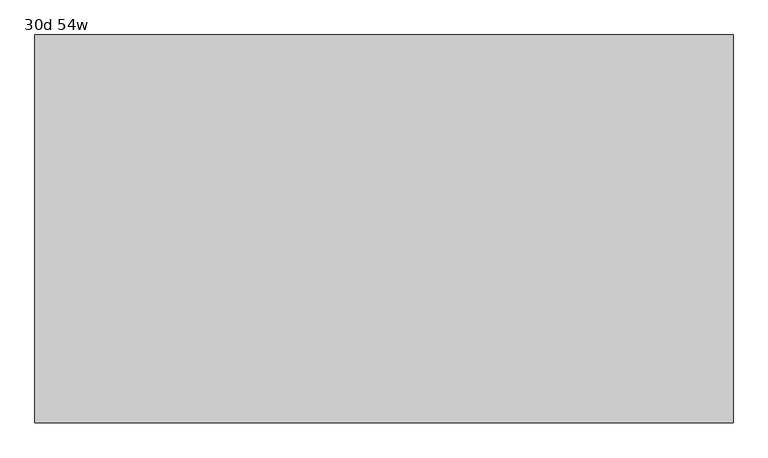
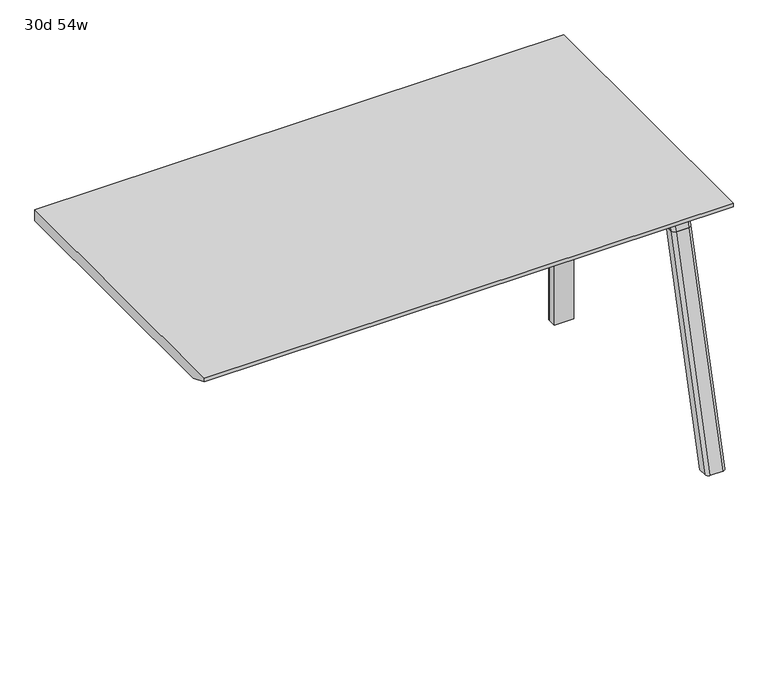
"""IFC4 building model written with IfcOpenShell, lengths in millimetres: furniture geometry, 30d 54w."""

from ifc_helpers import new_model, si_unit, point, frame, frame_2d, origin, place, context, project, spatial, polyline, circle_curve, ellipse_curve, trimmed, segment, composite_curve, outline, extrude, source, transform, mapped, element, save
from ifc_brep_helpers import plane_surface, cylinder_surface, revolved_surface, advanced_brep


def furniture_30d_54w_56b9a1d6(model_context):
    return source(origin(), model_context, "Body", "SolidModel", [
        extrude(outline(composite_curve([segment(polyline([(-258.4909766, 711.2), (-267.5490774, 677.3947076)]), True, "CONTINUOUS"), segment(trimmed(circle_curve(frame_2d((-282.8831499, 681.5034599)), 15.875), [point((-267.5490774, 677.3947076))], [point((-282.8831499, 665.6284599))], False, "CARTESIAN"), True, "CONTINUOUS"), segment(polyline([(-282.8831499, 665.6284599), (-705.5863033, 665.6284599)]), True, "CONTINUOUS"), segment(trimmed(circle_curve(frame_2d((-705.5863033, 681.5034599)), 15.875), [point((-705.5863033, 665.6284599))], [point((-720.9203758, 677.3947076))], False, "CARTESIAN"), True, "CONTINUOUS"), segment(polyline([(-720.9203758, 677.3947076), (-729.9784766, 711.2), (-258.4909766, 711.2)]), True, "CONTINUOUS")], self_intersect=False)), frame((850.9, 0.0, 0.0), z_axis=(1.0, 0.0, 0.0), x_axis=(0.0, 1.0, 0.0)), (0.0, 0.0, 1.0), 38.1),
        extrude(outline(polyline([(895.35, -318.8159766), (895.35, -669.6534766), (844.55, -669.6534766), (844.55, -318.8159766), (895.35, -318.8159766)])), frame((0.0, 0.0, 635.6476591), z_axis=(0.0, 0.0, 1.0), x_axis=(1.0, 0.0, 0.0)), (0.0, 0.0, 1.0), 29.9808008),
        advanced_brep(
        [(895.35, -258.4446478, 711.2), (895.35, -267.5027486, 677.3947076), (895.35, -282.8368211, 665.6284599), (895.35, -318.8159766, 665.6284599), (895.35, -318.8159766, 635.6476591), (895.35, -307.7034766, 635.6476591), (895.35, -256.9034766, 584.8476591), (895.35, -256.9034766, 576.659375), (895.35, -234.6784766, 576.659375), (895.35, -234.6784766, 711.2), (844.55, -256.9034766, 576.659375), (844.55, -256.9034766, 584.8476591), (844.55, -307.7034766, 635.6476591), (844.55, -318.8159766, 635.6476591), (844.55, -318.8159766, 665.6284599), (844.55, -282.8368211, 665.6284599), (844.55, -267.5027486, 677.3947076), (844.55, -258.4446478, 711.2), (844.55, -234.6784766, 711.2), (844.55, -234.6784766, 576.659375), (885.825, -225.1534766, 711.2), (854.075, -225.1534766, 711.2), (854.075, -225.1534766, 576.659375), (885.825, -225.1534766, 576.659375)],
        [
            (0, 1),
            (1, 2, circle_curve(frame((895.35, -282.8368211, 681.5034599), z_axis=(-1.0, 0.0, 0.0), x_axis=(0.0, 1.0, 0.0)), 15.875)),
            (2, 3),
            (3, 4),
            (4, 5),
            (5, 6, circle_curve(frame((895.35, -307.7034766, 584.8476591), z_axis=(-1.0, 0.0, 0.0), x_axis=(0.0, 1.0, 0.0)), 50.8)),
            (6, 7),
            (7, 8),
            (8, 9),
            (9, 0),
            (10, 11),
            (11, 12, circle_curve(frame((844.55, -307.7034766, 584.8476591), z_axis=(1.0, 0.0, 0.0), x_axis=(0.0, 1.0, 0.0)), 50.8)),
            (12, 13),
            (13, 14),
            (14, 15),
            (15, 16, circle_curve(frame((844.55, -282.8368211, 681.5034599), z_axis=(1.0, 0.0, 0.0), x_axis=(0.0, 1.0, 0.0)), 15.875)),
            (16, 17),
            (17, 18),
            (18, 19),
            (19, 10),
            (17, 0),
            (9, 20, circle_curve(frame((885.825, -234.6784766, 711.2), z_axis=(0.0, 0.0, 1.0), x_axis=(-1.0, 0.0, 0.0)), 9.525)),
            (20, 21),
            (21, 18, circle_curve(frame((854.075, -234.6784766, 711.2), z_axis=(0.0, 0.0, 1.0), x_axis=(-1.0, 0.0, 0.0)), 9.525)),
            (16, 1),
            (15, 2),
            (14, 3),
            (13, 4),
            (12, 5),
            (7, 10),
            (19, 22, circle_curve(frame((854.075, -234.6784766, 576.659375), z_axis=(0.0, 0.0, -1.0), x_axis=(-1.0, 0.0, 0.0)), 9.525)),
            (22, 23),
            (23, 8, circle_curve(frame((885.825, -234.6784766, 576.659375), z_axis=(0.0, 0.0, -1.0), x_axis=(-1.0, 0.0, 0.0)), 9.525)),
            (11, 6),
            (23, 20),
            (21, 22),
        ],
        [
            plane_surface(frame((895.35, -218.226947, 711.2), z_axis=(1.0, 0.0, 0.0), x_axis=(0.0, -1.0, 0.0))),
            plane_surface(frame((844.55, -218.226947, 711.2), z_axis=(-1.0, 0.0, 0.0), x_axis=(0.0, 1.0, 0.0))),
            plane_surface(frame((895.35, -218.226947, 711.2), z_axis=(0.0, 0.0, 1.0), x_axis=(-1.0, 0.0, 0.0))),
            plane_surface(frame((895.35, -258.4446478, 711.2), z_axis=(0.0, -0.9659258262890683, 0.2588190451025207), x_axis=(-1.0, 0.0, 0.0))),
            revolved_surface(polyline([(844.55, -266.9618211, 681.5034599), (895.35, -266.9618211, 681.5034599)]), (844.55, -282.8368211, 681.5034599), (-1.0, 0.0, 0.0)),
            plane_surface(frame((895.35, -282.8368211, 665.6284599), z_axis=(0.0, 0.0, 1.0), x_axis=(-1.0, 0.0, 0.0))),
            plane_surface(frame((895.35, -318.8159766, 665.6284599), z_axis=(0.0, -1.0, 0.0), x_axis=(-1.0, 0.0, 0.0))),
            plane_surface(frame((895.35, -318.8159766, 635.6476591), z_axis=(0.0, 0.0, -1.0), x_axis=(-1.0, 0.0, 0.0))),
            plane_surface(frame((895.35, -256.9034766, 576.659375), z_axis=(0.0, 0.0, -1.0), x_axis=(-1.0, 0.0, 0.0))),
            revolved_surface(polyline([(844.55, -256.9034766, 584.8476591), (895.35, -256.9034766, 584.8476591)]), (844.55, -307.7034766, 584.8476591), (-1.0, 0.0, 0.0)),
            plane_surface(frame((895.35, -256.9034766, 584.8476591), z_axis=(0.0, -1.0, 0.0), x_axis=(-1.0, 0.0, 0.0))),
            cylinder_surface(frame((885.825, -234.6784766, 524.9807374), z_axis=(0.0, 0.0, -1.0), x_axis=(-1.0, 0.0, 0.0)), 9.525),
            cylinder_surface(frame((854.075, -234.6784766, 524.9807374), z_axis=(0.0, 0.0, -1.0), x_axis=(-1.0, 0.0, 0.0)), 9.525),
            plane_surface(frame((854.075, -225.1534766, 711.2), z_axis=(0.0, 1.0, 0.0), x_axis=(0.0, 0.0, -1.0))),
        ],
        [
            (0, [[1, 2, 3, 4, 5, 6, 7, 8, 9, 10]]),
            (1, [[11, 12, 13, 14, 15, 16, 17, 18, 19, 20]]),
            (2, [[21, -10, 22, 23, 24, -18]]),
            (3, [[-1, -21, -17, 25]]),
            (4, [[-2, -25, -16, 26]]),
            (5, [[-3, -26, -15, 27]]),
            (6, [[-4, -27, -14, 28]]),
            (7, [[-5, -28, -13, 29]]),
            (8, [[30, -20, 31, 32, 33, -8]]),
            (9, [[-6, -29, -12, 34]]),
            (10, [[-7, -34, -11, -30]]),
            (11, [[35, -22, -9, -33]]),
            (12, [[36, -31, -19, -24]]),
            (13, [[-35, -32, -36, -23]]),
        ],
    ),
        advanced_brep(
        [(844.55, -256.9034766, 576.659375), (895.35, -256.9034766, 576.659375), (895.35, -234.6784766, 576.659375), (885.825, -225.1534766, 576.659375), (854.075, -225.1534766, 576.659375), (844.55, -234.6784766, 576.659375), (844.55, -256.9034766, 0.0), (844.55, -234.6784766, 0.0), (854.075, -225.1534766, 0.0), (885.825, -225.1534766, 0.0), (895.35, -234.6784766, 0.0), (895.35, -256.9034766, 0.0), (895.35, -234.6784766, 524.9807374), (885.825, -225.1534766, 524.9807374), (854.075, -225.1534766, 524.9807374), (844.55, -234.6784766, 524.9807374)],
        [
            (0, 1),
            (1, 2),
            (2, 3, circle_curve(frame((885.825, -234.6784766, 576.659375), z_axis=(0.0, 0.0, 1.0), x_axis=(-1.0, 0.0, 0.0)), 9.525)),
            (3, 4),
            (4, 5, circle_curve(frame((854.075, -234.6784766, 576.659375), z_axis=(0.0, 0.0, 1.0), x_axis=(-1.0, 0.0, 0.0)), 9.525)),
            (5, 0),
            (6, 7),
            (7, 8, circle_curve(frame((854.075, -234.6784766, 0.0), z_axis=(0.0, 0.0, -1.0), x_axis=(-1.0, 0.0, 0.0)), 9.525)),
            (8, 9),
            (9, 10, circle_curve(frame((885.825, -234.6784766, 0.0), z_axis=(0.0, 0.0, -1.0), x_axis=(-1.0, 0.0, 0.0)), 9.525)),
            (10, 11),
            (11, 6),
            (0, 6),
            (11, 1),
            (10, 12),
            (12, 2),
            (9, 13),
            (13, 3),
            (8, 14),
            (14, 4),
            (7, 15),
            (15, 5),
        ],
        [
            plane_surface(frame((902.5462903, -256.9034766, 576.659375), z_axis=(0.0, 0.0, 1.0), x_axis=(1.0, 0.0, 0.0))),
            plane_surface(frame((902.5462903, -256.9034766, 0.0), z_axis=(0.0, 0.0, -1.0), x_axis=(-1.0, 0.0, 0.0))),
            plane_surface(frame((844.55, -256.9034766, 576.659375), z_axis=(0.0, -1.0, 0.0), x_axis=(0.0, 0.0, -1.0))),
            plane_surface(frame((895.35, -256.9034766, 576.659375), z_axis=(1.0, 0.0, 0.0), x_axis=(0.0, 0.0, -1.0))),
            cylinder_surface(frame((885.825, -234.6784766, 0.0), z_axis=(0.0, 0.0, 1.0), x_axis=(-1.0, 0.0, 0.0)), 9.525),
            plane_surface(frame((885.825, -225.1534766, 576.659375), z_axis=(0.0, 1.0, 0.0), x_axis=(0.0, 0.0, -1.0))),
            cylinder_surface(frame((854.075, -234.6784766, 0.0), z_axis=(0.0, 0.0, 1.0), x_axis=(-1.0, 0.0, 0.0)), 9.525),
            plane_surface(frame((844.55, -234.6784766, 576.659375), z_axis=(-1.0, 0.0, 0.0), x_axis=(0.0, 0.0, -1.0))),
        ],
        [
            (0, [[1, 2, 3, 4, 5, 6]]),
            (1, [[7, 8, 9, 10, 11, 12]]),
            (2, [[-1, 13, -12, 14]]),
            (3, [[-2, -14, -11, 15, 16]]),
            (4, [[-3, -16, -15, -10, 17, 18]]),
            (5, [[-4, -18, -17, -9, 19, 20]]),
            (6, [[-5, -20, -19, -8, 21, 22]]),
            (7, [[-6, -22, -21, -7, -13]]),
        ],
    ),
        advanced_brep(
        [(844.55, -723.6748053, 711.2), (844.55, -714.6167045, 677.3947076), (844.55, -699.282632, 665.6284599), (844.55, -669.6534766, 665.6284599), (844.55, -669.6534766, 635.6476591), (844.55, -692.5247088, 635.6476591), (844.55, -756.9278133, 586.2294189), (844.55, -759.4860254, 576.6820411), (844.55, -780.5899953, 576.6820411), (844.55, -745.1413517, 711.2), (895.35, -759.4860254, 576.6820411), (895.35, -756.9278133, 586.2294189), (895.35, -692.5247088, 635.6476591), (895.35, -669.6534766, 635.6476591), (895.35, -669.6534766, 665.6284599), (895.35, -699.282632, 665.6284599), (895.35, -714.6167045, 677.3947076), (895.35, -723.6748053, 711.2), (895.35, -745.1413517, 711.2), (895.35, -780.5899953, 576.6820411), (850.8138162, -754.3961962, 711.2), (889.0861838, -754.3961962, 711.2), (885.825, -790.4401747, 576.6820411), (854.075, -790.4401747, 576.6820411)],
        [
            (0, 1),
            (1, 2, circle_curve(frame((844.55, -699.282632, 681.5034599), z_axis=(1.0, 0.0, 0.0), x_axis=(0.0, -1.0, 0.0)), 15.875)),
            (2, 3),
            (3, 4),
            (4, 5),
            (5, 6, circle_curve(frame((844.55, -692.5247088, 568.9726591), z_axis=(1.0, 0.0, 0.0), x_axis=(0.0, -1.0, 0.0)), 66.675)),
            (6, 7),
            (7, 8),
            (8, 9),
            (9, 0),
            (10, 11),
            (11, 12, circle_curve(frame((895.35, -692.5247088, 568.9726591), z_axis=(-1.0, 0.0, 0.0), x_axis=(0.0, -1.0, 0.0)), 66.675)),
            (12, 13),
            (13, 14),
            (14, 15),
            (15, 16, circle_curve(frame((895.35, -699.282632, 681.5034599), z_axis=(-1.0, 0.0, 0.0), x_axis=(0.0, -1.0, 0.0)), 15.875)),
            (16, 17),
            (17, 18),
            (18, 19),
            (19, 10),
            (17, 0),
            (9, 20, ellipse_curve(frame((854.075, -745.1413517, 711.2), z_axis=(0.0, 0.0, 1.0), x_axis=(0.0, -1.0, 0.0)), 9.8501793, 9.525)),
            (20, 21),
            (21, 18, ellipse_curve(frame((885.825, -745.1413517, 711.2), z_axis=(0.0, 0.0, 1.0), x_axis=(0.0, -1.0, 0.0)), 9.8501793, 9.525)),
            (16, 1),
            (15, 2),
            (14, 3),
            (13, 4),
            (12, 5),
            (11, 6),
            (10, 7),
            (19, 22, ellipse_curve(frame((885.825, -780.5899953, 576.6820411), z_axis=(0.0, 0.0, -1.0), x_axis=(0.0, -1.0, 0.0)), 9.8501793, 9.525)),
            (22, 23),
            (23, 8, ellipse_curve(frame((854.075, -780.5899953, 576.6820411), z_axis=(0.0, 0.0, -1.0), x_axis=(0.0, -1.0, 0.0)), 9.8501793, 9.525)),
            (20, 23, ellipse_curve(frame((854.075, -194.0704606, 2802.3641142), z_axis=(0.0, -0.9659258262890684, 0.2588190451025206), x_axis=(0.0, -0.2588190451025206, -0.9659258262890684)), 2304.1956354, 9.525)),
            (22, 21, ellipse_curve(frame((885.825, -194.0704606, 2802.3641142), z_axis=(0.0, -0.9659258262890684, 0.2588190451025206), x_axis=(0.0, -0.2588190451025206, -0.9659258262890684)), 2304.1956354, 9.525)),
        ],
        [
            plane_surface(frame((844.55, -754.3961962, 711.2), z_axis=(-1.0, 0.0, 0.0), x_axis=(0.0, 1.0, 0.0))),
            plane_surface(frame((895.35, -754.3961962, 711.2), z_axis=(1.0, 0.0, 0.0), x_axis=(0.0, -1.0, 0.0))),
            plane_surface(frame((844.55, -754.3961962, 711.2), z_axis=(0.0, 0.0, 1.0), x_axis=(1.0, 0.0, 0.0))),
            plane_surface(frame((844.55, -723.6748053, 711.2), z_axis=(0.0, 0.9659258262890683, 0.2588190451025207), x_axis=(1.0, 0.0, 0.0))),
            revolved_surface(polyline([(895.35, -715.157632, 681.5034599), (844.55, -715.157632, 681.5034599)]), (895.35, -699.282632, 681.5034599), (1.0, 0.0, 0.0)),
            plane_surface(frame((844.55, -699.282632, 665.6284599), z_axis=(0.0, 0.0, 1.0), x_axis=(1.0, 0.0, 0.0))),
            plane_surface(frame((844.55, -669.6534766, 665.6284599), z_axis=(0.0, 1.0, 0.0), x_axis=(1.0, 0.0, 0.0))),
            plane_surface(frame((844.55, -669.6534766, 635.6476591), z_axis=(0.0, 0.0, -1.0), x_axis=(1.0, 0.0, 0.0))),
            revolved_surface(polyline([(895.35, -759.1997087999999, 568.9726591), (844.55, -759.1997087999999, 568.9726591)]), (895.35, -692.5247088, 568.9726591), (1.0, 0.0, 0.0)),
            plane_surface(frame((844.55, -756.9278133, 586.2294189), z_axis=(0.0, 0.9659258262890693, -0.25881904510251696), x_axis=(1.0, 0.0, 0.0))),
            plane_surface(frame((844.55, -759.4860254, 576.6820411), z_axis=(0.0, 0.0, -1.0), x_axis=(1.0, 0.0, 0.0))),
            plane_surface(frame((844.55, -790.4401747, 576.6820411), z_axis=(0.0, -0.9659258262890684, 0.2588190451025206), x_axis=(1.0, 0.0, 0.0))),
            cylinder_surface(frame((854.075, -933.1988902, -2.4271979), z_axis=(0.0, -0.25482392474081483, -0.966987470125486), x_axis=(1.0, 0.0, 0.0)), 9.525),
            cylinder_surface(frame((885.825, -933.1988902, -2.4271979), z_axis=(0.0, -0.25482392474081483, -0.966987470125486), x_axis=(1.0, 0.0, 0.0)), 9.525),
        ],
        [
            (0, [[1, 2, 3, 4, 5, 6, 7, 8, 9, 10]]),
            (1, [[11, 12, 13, 14, 15, 16, 17, 18, 19, 20]]),
            (2, [[21, -10, 22, 23, 24, -18]]),
            (3, [[-1, -21, -17, 25]]),
            (4, [[-2, -25, -16, 26]]),
            (5, [[-3, -26, -15, 27]]),
            (6, [[-4, -27, -14, 28]]),
            (7, [[-5, -28, -13, 29]]),
            (8, [[-6, -29, -12, 30]]),
            (9, [[-7, -30, -11, 31]]),
            (10, [[-31, -20, 32, 33, 34, -8]]),
            (11, [[-23, 35, -33, 36]]),
            (12, [[-9, -34, -35, -22]]),
            (13, [[-19, -24, -36, -32]]),
        ],
    ),
        advanced_brep(
        [(844.55, -759.4860254, 576.6820411), (844.55, -911.4552966, 0.0), (844.55, -932.5592665, 0.0), (844.55, -780.5899953, 576.6820411), (895.35, -911.4552966, 0.0), (895.35, -759.4860254, 576.6820411), (895.35, -780.5899953, 576.6820411), (895.35, -932.5592665, 0.0), (854.075, -790.4401747, 576.6820411), (885.825, -790.4401747, 576.6820411), (885.825, -942.4094458, 0.0), (854.075, -942.4094458, 0.0)],
        [
            (0, 1),
            (1, 2),
            (2, 3),
            (3, 0),
            (4, 5),
            (5, 6),
            (6, 7),
            (7, 4),
            (5, 0),
            (3, 8, ellipse_curve(frame((854.075, -780.5899953, 576.6820411), z_axis=(0.0, 0.0, 1.0), x_axis=(0.0, -1.0, 0.0)), 9.8501793, 9.525)),
            (8, 9),
            (9, 6, ellipse_curve(frame((885.825, -780.5899953, 576.6820411), z_axis=(0.0, 0.0, 1.0), x_axis=(0.0, -1.0, 0.0)), 9.8501793, 9.525)),
            (4, 1),
            (7, 10, ellipse_curve(frame((885.825, -932.5592665, 0.0), z_axis=(0.0, 0.0, -1.0), x_axis=(0.0, -1.0, 0.0)), 9.8501793, 9.525)),
            (10, 11),
            (11, 2, ellipse_curve(frame((854.075, -932.5592665, 0.0), z_axis=(0.0, 0.0, -1.0), x_axis=(0.0, -1.0, 0.0)), 9.8501793, 9.525)),
            (8, 11),
            (10, 9),
        ],
        [
            plane_surface(frame((844.55, -790.4401747, 576.6820411), z_axis=(-1.0, 0.0, 0.0), x_axis=(0.0, 1.0, 0.0))),
            plane_surface(frame((895.35, -790.4401747, 576.6820411), z_axis=(1.0, 0.0, 0.0), x_axis=(0.0, -1.0, 0.0))),
            plane_surface(frame((844.55, -790.4401747, 576.6820411), z_axis=(0.0, 0.0, 1.0), x_axis=(1.0, 0.0, 0.0))),
            plane_surface(frame((844.55, -759.4860254, 576.6820411), z_axis=(0.0, 0.9669874701254844, -0.2548239247408208), x_axis=(1.0, 0.0, 0.0))),
            plane_surface(frame((844.55, -911.4552966, 0.0), z_axis=(0.0, 0.0, -1.0), x_axis=(1.0, 0.0, 0.0))),
            plane_surface(frame((844.55, -942.4094458, 0.0), z_axis=(0.0, -0.9669874701254855, 0.2548239247408166), x_axis=(1.0, 0.0, 0.0))),
            cylinder_surface(frame((854.075, -933.1988902, -2.4271979), z_axis=(0.0, -0.25482392474081483, -0.966987470125486), x_axis=(1.0, 0.0, 0.0)), 9.525),
            cylinder_surface(frame((885.825, -933.1988902, -2.4271979), z_axis=(0.0, -0.25482392474081483, -0.966987470125486), x_axis=(1.0, 0.0, 0.0)), 9.525),
        ],
        [
            (0, [[1, 2, 3, 4]]),
            (1, [[5, 6, 7, 8]]),
            (2, [[9, -4, 10, 11, 12, -6]]),
            (3, [[-1, -9, -5, 13]]),
            (4, [[-13, -8, 14, 15, 16, -2]]),
            (5, [[-11, 17, -15, 18]]),
            (6, [[-3, -16, -17, -10]]),
            (7, [[-7, -12, -18, -14]]),
        ],
    ),
        extrude(outline(polyline([(-961.7534766, 741.3625), (-199.7534766, 741.3625), (-199.7534766, 711.2), (-910.9534766, 711.2), (-961.7534766, 731.8375), (-961.7534766, 741.3625)])), frame((-469.9, 0.0, 0.0), z_axis=(1.0, 0.0, 0.0), x_axis=(0.0, 1.0, 0.0)), (0.0, 0.0, 1.0), 1371.6),
    ])


if __name__ == "__main__":
    model = new_model("IFC4")
    model_context = context("Model", 3, world=origin())
    ifc_project = project(units=[si_unit("LENGTHUNIT", "METRE", prefix="MILLI")], contexts=[model_context])
    site = spatial("IfcSite", under=ifc_project)
    building = spatial("IfcBuilding", under=site)
    placement = place(None, origin())
    furniture_30d_54w_shape = furniture_30d_54w_56b9a1d6(model_context)
    element("IfcFurniture", 1, ObjectType="30d 54w", at=placement, inside=building, context=model_context, shape_type="MappedRepresentation", body=[
        mapped(furniture_30d_54w_shape, transform((0.0, 0.0, 0.0), x_axis=(1.0, 0.0, 0.0), y_axis=(0.0, 1.0, 0.0), z_axis=(0.0, 0.0, 1.0))),
    ])
    save(model, "model.ifc")
